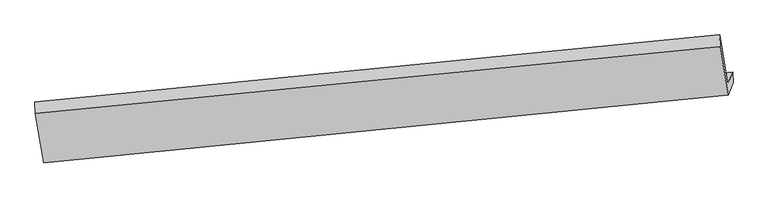
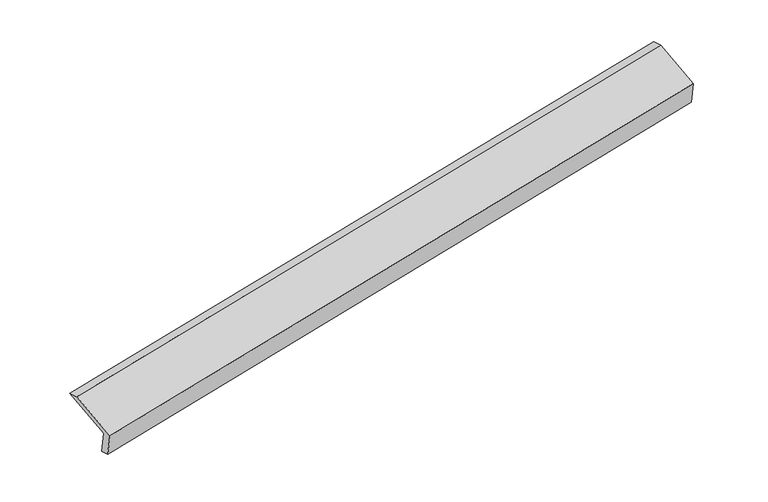
"""IFC4 building model written with IfcOpenShell, lengths in millimetres: proxy geometry."""

from ifc_helpers import new_model, si_unit, origin, place, context, project, spatial, faceted_brep, source, transform, mapped, element, save


def generic_models_d339a19f(model_context):
    return source(origin(), model_context, "Body", "Brep", [
        faceted_brep([(-7439.1116366, -2005.3706942, 652.8364379), (-7501.1610936, -2171.5678392, 1062.0995749), (1807.3228383, -1250.301719, 2852.9485349), (1869.3722953, -1084.104574, 2443.6853978), (-7431.4544236, -2150.2651934, 686.3023333), (1877.0295084, -1228.9990732, 2477.1512933), (-7495.3915801, -2321.5184708, 1108.0162776), (1813.0923519, -1400.2523506, 2898.8652376), (-7609.014153, -1651.5928477, 1362.8389027), (1701.0354685, -739.5581282, 3150.1764732), (-7617.0001796, -1488.5735197, 1321.8931989), (1693.0494419, -576.5388003, 3109.2307694)], [[[0, 1, 2, 3]], [[4, 0, 3, 5]], [[6, 4, 5, 7]], [[8, 6, 7, 9]], [[10, 8, 9, 11]], [[1, 10, 11, 2]], [[9, 7, 5, 3, 2, 11]], [[1, 0, 4, 6, 8, 10]]]),
    ])


if __name__ == "__main__":
    model = new_model("IFC4")
    model_context = context("Model", 3, world=origin())
    ifc_project = project(units=[si_unit("LENGTHUNIT", "METRE", prefix="MILLI")], contexts=[model_context])
    site = spatial("IfcSite", under=ifc_project)
    building = spatial("IfcBuilding", under=site)
    placement = place(None, origin())
    generic_models_shape = generic_models_d339a19f(model_context)
    element("IfcBuildingElementProxy", 1, Name="Generic Models", at=placement, inside=building, context=model_context, shape_type="MappedRepresentation", body=[
        mapped(generic_models_shape, transform((0.0, 0.0, 0.0), x_axis=(1.0, 0.0, 0.0), y_axis=(0.0, 1.0, 0.0), z_axis=(0.0, 0.0, 1.0))),
    ])
    save(model, "model.ifc")
